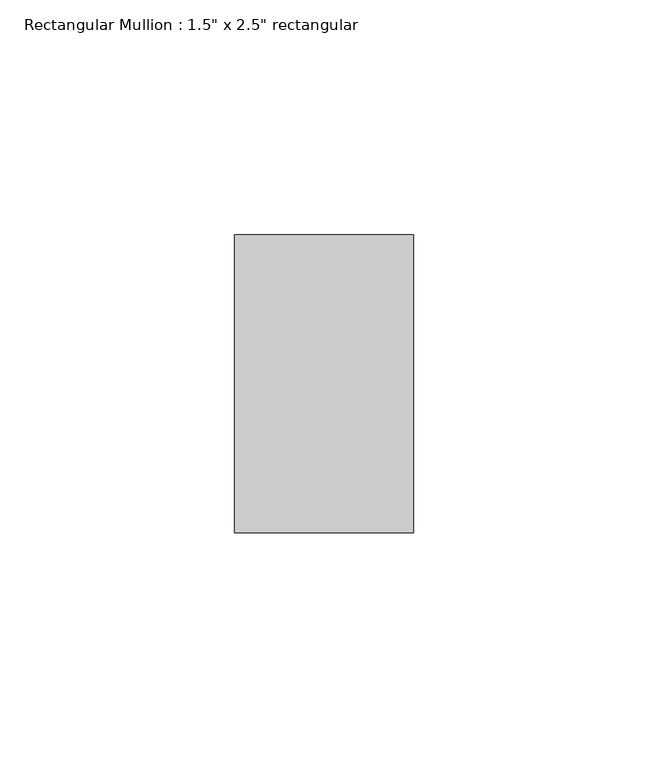
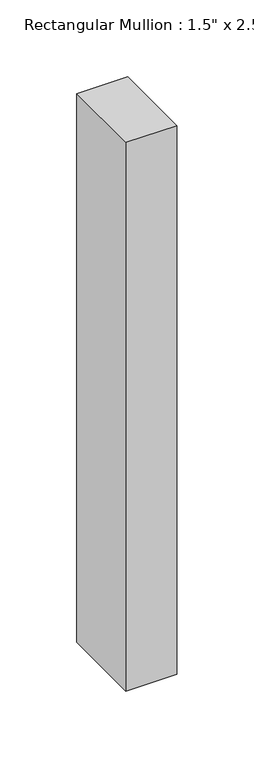
"""IFC4 building model written with IfcOpenShell, lengths in millimetres: member geometry."""

from ifc_helpers import new_model, si_unit, frame, origin, place, context, project, spatial, polyline, outline, extrude, source, transform, mapped, element, save


def member_4bb8535c(model_context):
    return source(origin(), model_context, "Body", "SweptSolid", [
        extrude(outline(polyline([(19.05, 31.75), (19.05, -31.75), (-19.05, -31.75), (-19.05, 31.75), (19.05, 31.75)])), frame((0.0, 0.0, -434.975), z_axis=(0.0, 0.0, 1.0), x_axis=(1.0, 0.0, 0.0)), (0.0, 0.0, 1.0), 434.975),
    ])


if __name__ == "__main__":
    model = new_model("IFC4")
    model_context = context("Model", 3, world=origin())
    ifc_project = project(units=[si_unit("LENGTHUNIT", "METRE", prefix="MILLI")], contexts=[model_context])
    site = spatial("IfcSite", under=ifc_project)
    building = spatial("IfcBuilding", under=site)
    placement = place(None, origin())
    member_shape = member_4bb8535c(model_context)
    element("IfcMember", 1, ObjectType="Rectangular Mullion : 1.5\" x 2.5\" rectangular", at=placement, inside=building, context=model_context, shape_type="MappedRepresentation", body=[
        mapped(member_shape, transform((0.0, 0.0, 0.0), x_axis=(1.0, 0.0, 0.0), y_axis=(0.0, 1.0, 0.0), z_axis=(0.0, 0.0, 1.0))),
    ])
    save(model, "model.ifc")
